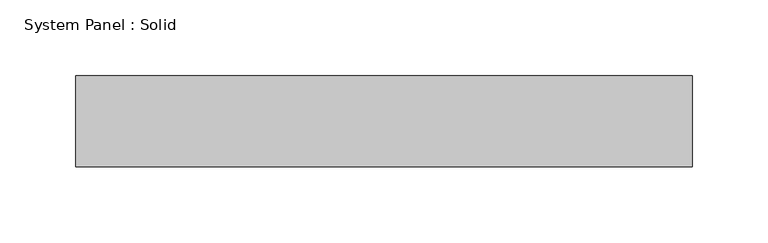
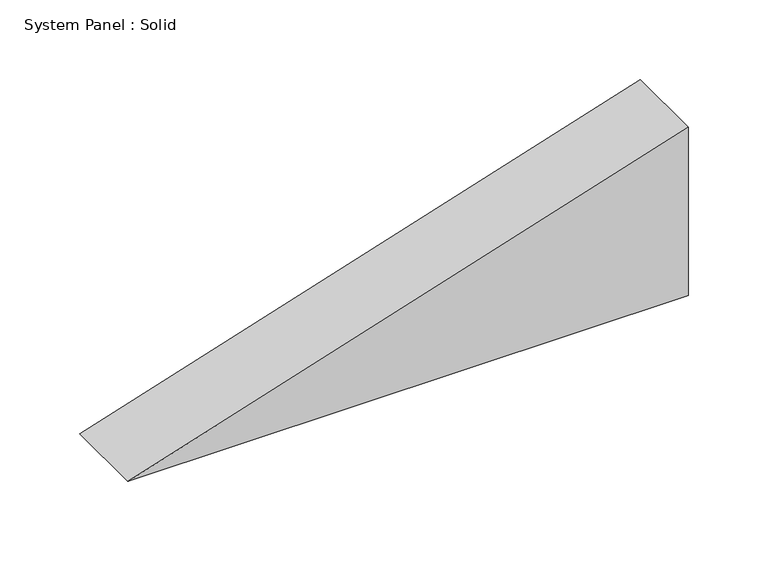
"""IFC4 building model written with IfcOpenShell, lengths in millimetres: plate geometry, System Panel : Solid."""

from ifc_helpers import new_model, si_unit, frame, origin, place, context, project, spatial, polyline, outline, extrude, source, transform, mapped, element, save


def system_panel_solid_31067a37(model_context):
    return source(origin(), model_context, "Body", "SweptSolid", [
        extrude(outline(polyline([(0.0, -203.1108751), (0.0, 203.1108751), (129.1299381, 203.1108751), (0.0, -203.1108751)])), frame((0.0, -10.5, 0.0), z_axis=(0.0, 1.0, 0.0), x_axis=(0.0, 0.0, 1.0)), (0.0, 0.0, 1.0), 60.0),
    ])


if __name__ == "__main__":
    model = new_model("IFC4")
    model_context = context("Model", 3, world=origin())
    ifc_project = project(units=[si_unit("LENGTHUNIT", "METRE", prefix="MILLI")], contexts=[model_context])
    site = spatial("IfcSite", under=ifc_project)
    building = spatial("IfcBuilding", under=site)
    placement = place(None, origin())
    system_panel_solid_shape = system_panel_solid_31067a37(model_context)
    element("IfcPlate", 1, ObjectType="System Panel : Solid", at=placement, inside=building, context=model_context, shape_type="MappedRepresentation", body=[
        mapped(system_panel_solid_shape, transform((0.0, 0.0, 0.0), x_axis=(1.0, 0.0, 0.0), y_axis=(0.0, 1.0, 0.0), z_axis=(0.0, 0.0, 1.0))),
    ])
    save(model, "model.ifc")
